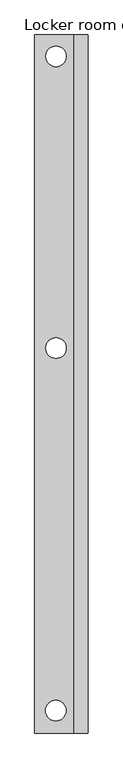
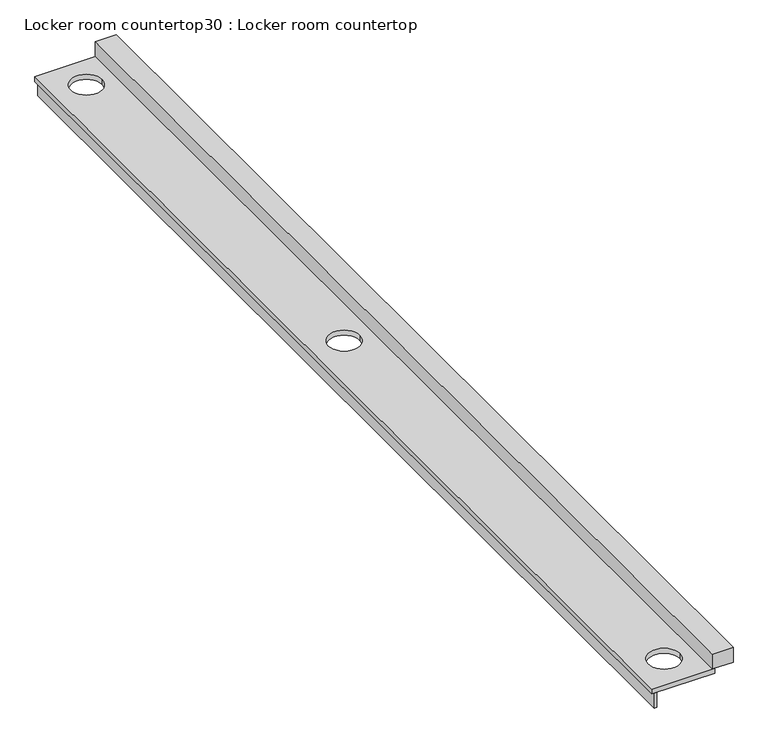
"""IFC4 building model written with IfcOpenShell, lengths in millimetres: furniture geometry, Locker room countertop30 : Locker room countertop."""

from ifc_helpers import new_model, si_unit, point, frame, frame_2d, origin, place, context, project, spatial, polyline, circle_curve, trimmed, segment, composite_curve, outline, extrude, source, transform, mapped, element, save


def locker_room_countertop30_locker_room_countertop_faff045e(model_context):
    return source(origin(), model_context, "Body", "SweptSolid", [
        extrude(outline(polyline([(459985.8504676, -195149.0080223), (459985.8504676, -184819.1455223), (460011.2504676, -184819.1455223), (460011.2504676, -195149.0080223), (459985.8504676, -195149.0080223)])), frame((0.0, 0.0, 660.4), z_axis=(0.0, 0.0, 1.0), x_axis=(1.0, 0.0, 0.0)), (0.0, 0.0, 1.0), 152.4),
        extrude(outline(polyline([(460544.6504676, -184819.1455223), (460747.8504676, -184819.1455223), (460747.8504676, -195149.0080223), (460544.6504676, -195149.0080223), (460544.6504676, -184819.1455223)])), frame((0.0, 0.0, 863.6), z_axis=(0.0, 0.0, 1.0), x_axis=(1.0, 0.0, 0.0)), (0.0, 0.0, 1.0), 152.4),
        extrude(outline(polyline([(459960.4504676, -184819.1455223), (460570.0504676, -184819.1455223), (460570.0504676, -195149.0080223), (459960.4504676, -195149.0080223), (459960.4504676, -184819.1455223)]), holes=[composite_curve([segment(trimmed(circle_curve(frame_2d((460275.2498984, -185135.6938124)), 152.4), [point((460427.6498984, -185135.6938124))], [point((460122.8498984, -185135.6938124))], True, "CARTESIAN"), True, "CONTINUOUS"), segment(trimmed(circle_curve(frame_2d((460275.2498984, -185135.6938124)), 152.4), [point((460122.8498984, -185135.6938124))], [point((460427.6498984, -185135.6938124))], True, "CARTESIAN"), True, "CONTINUOUS")], self_intersect=False), composite_curve([segment(trimmed(circle_curve(frame_2d((460272.581704, -194816.4263657)), 152.4), [point((460424.981704, -194816.4263657))], [point((460120.181704, -194816.4263657))], True, "CARTESIAN"), True, "CONTINUOUS"), segment(trimmed(circle_curve(frame_2d((460272.581704, -194816.4263657)), 152.4), [point((460120.181704, -194816.4263657))], [point((460424.981704, -194816.4263657))], True, "CARTESIAN"), True, "CONTINUOUS")], self_intersect=False), composite_curve([segment(trimmed(circle_curve(frame_2d((460275.2498984, -189453.6938124)), 152.4), [point((460427.6498984, -189453.6938124))], [point((460122.8498984, -189453.6938124))], True, "CARTESIAN"), True, "CONTINUOUS"), segment(trimmed(circle_curve(frame_2d((460275.2498984, -189453.6938124)), 152.4), [point((460122.8498984, -189453.6938124))], [point((460427.6498984, -189453.6938124))], True, "CARTESIAN"), True, "CONTINUOUS")], self_intersect=False)]), frame((0.0, 0.0, 812.8), z_axis=(0.0, 0.0, 1.0), x_axis=(1.0, 0.0, 0.0)), (0.0, 0.0, 1.0), 50.8),
    ])


if __name__ == "__main__":
    model = new_model("IFC4")
    model_context = context("Model", 3, world=origin())
    ifc_project = project(units=[si_unit("LENGTHUNIT", "METRE", prefix="MILLI")], contexts=[model_context])
    site = spatial("IfcSite", under=ifc_project)
    building = spatial("IfcBuilding", under=site)
    placement = place(None, origin())
    locker_room_countertop30_locker_room_countertop_shape = locker_room_countertop30_locker_room_countertop_faff045e(model_context)
    element("IfcFurniture", 1, ObjectType="Locker room countertop30 : Locker room countertop", at=placement, inside=building, context=model_context, shape_type="MappedRepresentation", body=[
        mapped(locker_room_countertop30_locker_room_countertop_shape, transform((0.0, 0.0, 0.0), x_axis=(1.0, 0.0, 0.0), y_axis=(0.0, 1.0, 0.0), z_axis=(0.0, 0.0, 1.0))),
    ])
    save(model, "model.ifc")
